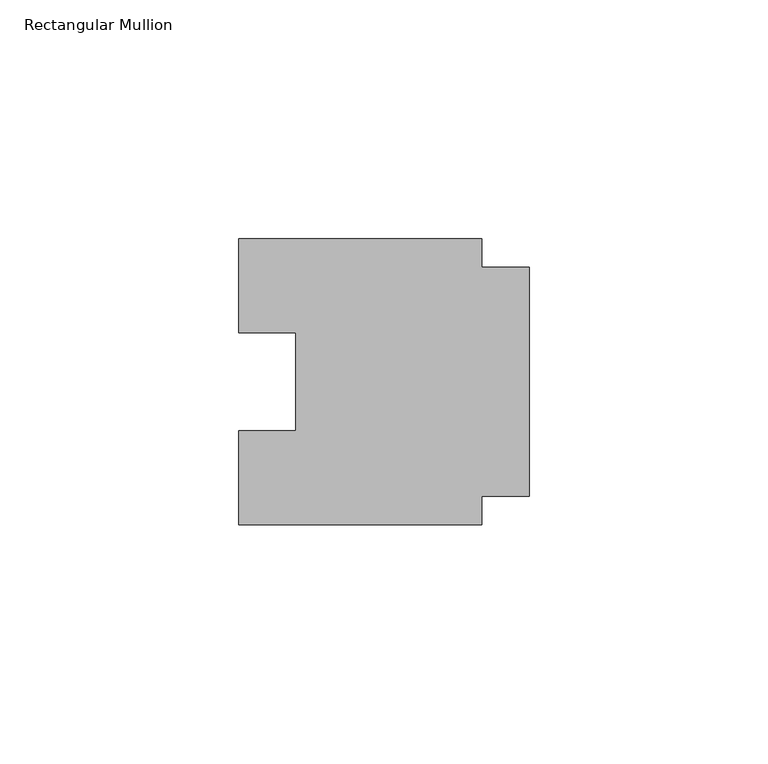
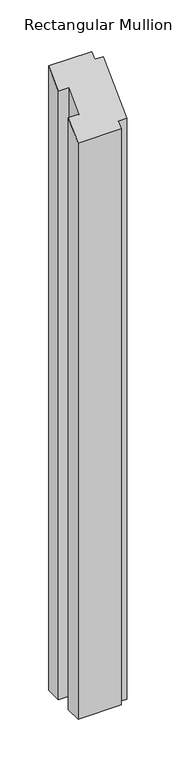
"""IFC4 building model written with IfcOpenShell, lengths in millimetres: member geometry, Rectangular Mullion."""

from ifc_helpers import new_model, si_unit, origin, place, context, project, spatial, faceted_brep, source, transform, mapped, element, save


def rectangular_mullion_71a986a7(model_context):
    return source(origin(), model_context, "Body", "Brep", [
        faceted_brep([(-10.0, 24.0, -749.9999997), (0.0, 24.0, -749.9999997), (0.0, -24.0, -749.9999997), (-10.0, -24.0, -749.9999997), (-10.0, -30.0, -749.9999997), (-61.0, -30.0, -749.9999997), (-61.0, -10.25, -749.9999997), (-49.0, -10.25, -749.9999997), (-49.0, 10.25, -749.9999997), (-61.0, 10.25, -749.9999997), (-61.0, 30.0, -749.9999997), (-10.0, 30.0, -749.9999997), (-10.0, 30.0, 30.0), (-10.0, 24.0, 24.0), (-61.0, 30.0, 30.0), (-61.0, 10.25, 10.25), (-49.0, 10.25, 10.25), (-49.0, -10.25, -10.25), (-61.0, -10.25, -10.25), (-61.0, -30.0, -30.0), (-10.0, -30.0, -30.0), (-10.0, -24.0, -24.0), (0.0, -24.0, -24.0), (0.0, 24.0, 24.0)], [[[0, 1, 2, 3, 4, 5, 6, 7, 8, 9, 10, 11]], [[12, 13, 0, 11]], [[14, 12, 11, 10]], [[15, 14, 10, 9]], [[16, 15, 9, 8]], [[17, 16, 8, 7]], [[18, 17, 7, 6]], [[19, 18, 6, 5]], [[20, 19, 5, 4]], [[21, 20, 4, 3]], [[22, 21, 3, 2]], [[23, 22, 2, 1]], [[13, 23, 1, 0]], [[13, 12, 14, 15, 16, 17, 18, 19, 20, 21, 22, 23]]]),
    ])


if __name__ == "__main__":
    model = new_model("IFC4")
    model_context = context("Model", 3, world=origin())
    ifc_project = project(units=[si_unit("LENGTHUNIT", "METRE", prefix="MILLI")], contexts=[model_context])
    site = spatial("IfcSite", under=ifc_project)
    building = spatial("IfcBuilding", under=site)
    placement = place(None, origin())
    rectangular_mullion_shape = rectangular_mullion_71a986a7(model_context)
    element("IfcMember", 1, ObjectType="Rectangular Mullion", at=placement, inside=building, context=model_context, shape_type="MappedRepresentation", body=[
        mapped(rectangular_mullion_shape, transform((0.0, 0.0, 0.0), x_axis=(1.0, 0.0, 0.0), y_axis=(0.0, 1.0, 0.0), z_axis=(0.0, 0.0, 1.0))),
    ])
    save(model, "model.ifc")
